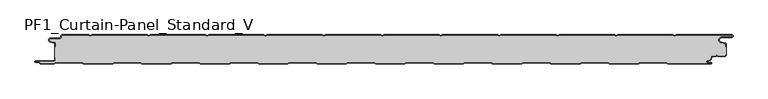
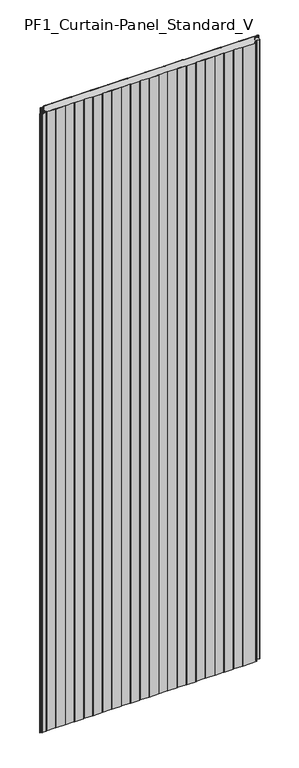
"""IFC4 building model written with IfcOpenShell, lengths in millimetres: plate geometry, PF1_Curtain-Panel_Standard_V."""

import ifcopenshell
import ifcopenshell.guid

model = None  # the IFC model being written
_history = None  # IfcOwnerHistory: only IFC2X3 demands one
_inside = {}  # id of a spatial element -> (the spatial element, [elements in it])
_under = {}  # id of a project, library or spatial element -> (it, [spatial elements below it])
_declared = {}  # id of a project -> (the project, [libraries it declares])
_typed = {}  # id of a type object -> (the type object, [elements of that type])
_made_of = {}  # id of a material, layer set ... -> (it, [elements and type objects made of it])


def new_model(schema):
    """Start an empty IFC model of exactly this schema.

    Asked for "IFC4X3", IfcOpenShell would pick the latest addendum, in which some entities
    have other attributes; the version numbers below select the first issue.
    IFC2X3 requires an IfcOwnerHistory on every rooted entity: one is made here for all.
    """
    global model, _history
    if schema == "IFC4X3":
        model = ifcopenshell.file(schema_version=(4, 3, 0, 0))
    else:
        model = ifcopenshell.file(schema=schema)
    _inside.clear()
    _under.clear()
    _declared.clear()
    _typed.clear()
    _made_of.clear()
    _history = None
    if model.schema == "IFC2X3":
        org = make("IfcOrganization", Name="unknown")
        user = make(
            "IfcPersonAndOrganization",
            ThePerson=make("IfcPerson", FamilyName="unknown"),
            TheOrganization=org,
        )
        app = make(
            "IfcApplication",
            ApplicationDeveloper=org,
            Version="unknown",
            ApplicationFullName="unknown",
            ApplicationIdentifier="unknown",
        )
        _history = make(
            "IfcOwnerHistory",
            OwningUser=user,
            OwningApplication=app,
            ChangeAction="ADDED",
            CreationDate=0,
        )
    return model


def make(cls, **values):
    """One entity of the class cls with the attributes given. An attribute that is None is left unset."""
    return model.create_entity(
        cls, **{name: value for name, value in values.items() if value is not None}
    )


def rooted(cls, **values):
    """An entity with a GlobalId (a new one), such as an element, a storey or a relation."""
    return make(cls, GlobalId=ifcopenshell.guid.new(), OwnerHistory=_history, **values)


def si_unit(unit_type, name, prefix=None):
    """IfcSIUnit, for example si_unit("LENGTHUNIT", "METRE", prefix="MILLI")."""
    return make("IfcSIUnit", UnitType=unit_type, Prefix=prefix, Name=name)


def assignment(units):
    """IfcUnitAssignment: the units of a project."""
    return None if units is None else make("IfcUnitAssignment", Units=units)


def point(xyz):
    """IfcCartesianPoint."""
    return None if xyz is None else make("IfcCartesianPoint", Coordinates=xyz)


def direction(xyz):
    """IfcDirection."""
    return None if xyz is None else make("IfcDirection", DirectionRatios=xyz)


def frame(location, z_axis=None, x_axis=None):
    """IfcAxis2Placement3D, a coordinate frame: its origin and axes. An axis left out is left unset."""
    return make(
        "IfcAxis2Placement3D",
        Location=point(location),
        Axis=direction(z_axis),
        RefDirection=direction(x_axis),
    )


def frame_2d(location, x_axis=None):
    """IfcAxis2Placement2D, a coordinate frame in the plane: its origin and x axis."""
    return make(
        "IfcAxis2Placement2D", Location=point(location), RefDirection=direction(x_axis)
    )


def origin():
    """The frame at (0, 0, 0) with its axes left unset."""
    return frame((0.0, 0.0, 0.0))


def origin_with_axes():
    """The frame at (0, 0, 0) with the z axis (0, 0, 1) and the x axis (1, 0, 0) written out."""
    return frame((0.0, 0.0, 0.0), z_axis=(0.0, 0.0, 1.0), x_axis=(1.0, 0.0, 0.0))


def place(relative_to, where):
    """IfcLocalPlacement: puts the frame where relative to a parent placement (None: the world)."""
    return make(
        "IfcLocalPlacement", PlacementRelTo=relative_to, RelativePlacement=where
    )


def context(
    kind, dimensions, precision=None, world=None, true_north=None, identifier=None
):
    """IfcGeometricRepresentationContext, for example the 3D "Model" context."""
    return make(
        "IfcGeometricRepresentationContext",
        ContextIdentifier=identifier,
        ContextType=kind,
        CoordinateSpaceDimension=dimensions,
        Precision=precision,
        WorldCoordinateSystem=world,
        TrueNorth=true_north,
    )


def project(units=None, contexts=None):
    """IfcProject with its units and contexts."""
    return rooted(
        "IfcProject",
        Name="project",
        RepresentationContexts=contexts,
        UnitsInContext=assignment(units),
    )


def spatial(cls, under=None, at=None, **own):
    """A site, building, storey or space (cls), placed at a placement, below another one or the project."""
    s = rooted(cls, ObjectPlacement=at, **own)
    if under is not None:
        _under.setdefault(under.id(), (under, []))[1].append(s)
    return s


def polyline(points):
    """IfcPolyline through the points."""
    return make("IfcPolyline", Points=[point(p) for p in points])


def circle_curve(where, radius):
    """IfcCircle in the frame where."""
    return make("IfcCircle", Position=where, Radius=radius)


def trimmed(basis, trim1, trim2, sense, master):
    """IfcTrimmedCurve: the piece of a basis curve between two trims."""
    return make(
        "IfcTrimmedCurve",
        BasisCurve=basis,
        Trim1=trim1,
        Trim2=trim2,
        SenseAgreement=sense,
        MasterRepresentation=master,
    )


def segment(curve, same_sense, transition):
    """IfcCompositeCurveSegment."""
    return make(
        "IfcCompositeCurveSegment",
        Transition=transition,
        SameSense=same_sense,
        ParentCurve=curve,
    )


def composite_curve(segments, self_intersect=None):
    """IfcCompositeCurve: segments joined end to end."""
    return make("IfcCompositeCurve", Segments=segments, SelfIntersect=self_intersect)


def outline(outer, holes=None, kind="AREA"):
    """IfcArbitraryClosedProfileDef: a profile drawn as a closed curve; with holes, ...WithVoids."""
    if holes is None:
        return make("IfcArbitraryClosedProfileDef", ProfileType=kind, OuterCurve=outer)
    return make(
        "IfcArbitraryProfileDefWithVoids",
        ProfileType=kind,
        OuterCurve=outer,
        InnerCurves=holes,
    )


def extrude(swept, where, along, depth):
    """IfcExtrudedAreaSolid: the profile swept, set in the frame where, extruded along a direction by depth."""
    return make(
        "IfcExtrudedAreaSolid",
        SweptArea=swept,
        Position=where,
        ExtrudedDirection=direction(along),
        Depth=depth,
    )


def shape(context_of_items, identifier, shape_type, items):
    """IfcShapeRepresentation: the items that make up one representation, for example the "Body"."""
    return make(
        "IfcShapeRepresentation",
        ContextOfItems=context_of_items,
        RepresentationIdentifier=identifier,
        RepresentationType=shape_type,
        Items=items,
    )


def source(mapping_origin, context_of_items, identifier, shape_type, items):
    """IfcRepresentationMap: a shape defined once, which mapped items show again and again."""
    return make(
        "IfcRepresentationMap",
        MappingOrigin=mapping_origin,
        MappedRepresentation=shape(context_of_items, identifier, shape_type, items),
    )


def transform(
    local_origin,
    x_axis=None,
    y_axis=None,
    z_axis=None,
    scale=None,
    scale2=None,
    scale3=None,
    uniform=True,
):
    """IfcCartesianTransformationOperator3D, or its non-uniform kind. x_axis, y_axis, z_axis: its Axis1, 2, 3."""
    if uniform:
        return make(
            "IfcCartesianTransformationOperator3D",
            Axis1=direction(x_axis),
            Axis2=direction(y_axis),
            LocalOrigin=point(local_origin),
            Scale=scale,
            Axis3=direction(z_axis),
        )
    return make(
        "IfcCartesianTransformationOperator3DnonUniform",
        Axis1=direction(x_axis),
        Axis2=direction(y_axis),
        LocalOrigin=point(local_origin),
        Scale=scale,
        Axis3=direction(z_axis),
        Scale2=scale2,
        Scale3=scale3,
    )


def mapped(mapping_source, mapping_target):
    """IfcMappedItem: shows the shape of a source again, moved by a transform."""
    return make(
        "IfcMappedItem", MappingSource=mapping_source, MappingTarget=mapping_target
    )


def made_of(thing, what):
    """Note that an element or type object is made of a material, layer set ...; save() writes the relation."""
    if what is not None:
        _made_of.setdefault(what.id(), (what, []))[1].append(thing)
    return thing


def element(
    cls,
    number,
    at=None,
    inside=None,
    cuts=None,
    type_object=None,
    material=None,
    context=None,
    identifier="Body",
    shape_type=None,
    held_by="IfcProductDefinitionShape",
    body=None,
    shapes=None,
    **own,
):
    """One element of the class cls, such as IfcWall. Its Tag is "e" and its number.

    at: its placement. inside: the storey or other place that contains it. cuts: it is an
    opening in that element (IfcRelVoidsElement). A single representation is given by context,
    identifier, shape_type and body (its items); several are given by shapes. held_by: the class
    of the entity that holds the representations. save() writes the other relations.
    """
    e = rooted(cls, Tag="e%d" % number, ObjectPlacement=at, **own)
    if body is not None:
        shapes = [shape(context, identifier, shape_type, body)]
    if shapes is not None:
        e.Representation = make(held_by, Representations=shapes)
    if inside is not None:
        _inside.setdefault(inside.id(), (inside, []))[1].append(e)
    if cuts is not None:
        rooted(
            "IfcRelVoidsElement", RelatingBuildingElement=cuts, RelatedOpeningElement=e
        )
    if type_object is not None:
        _typed.setdefault(type_object.id(), (type_object, []))[1].append(e)
    return made_of(e, material)


def aggregate(whole, parts):
    """IfcRelAggregates: a whole, such as a stair, and the parts it consists of."""
    return rooted("IfcRelAggregates", RelatingObject=whole, RelatedObjects=parts)


def save(model, path):
    """Write the relations noted so far, then the file.

    IfcRelAggregates (storeys below a building ...), IfcRelContainedInSpatialStructure (elements
    in a storey), IfcRelDefinesByType, IfcRelAssociatesMaterial and IfcRelDeclares: one each for
    every whole, place, type object, material and project.
    """
    for whole, parts in _under.values():
        aggregate(whole, parts)
    for where, things in _inside.values():
        rooted(
            "IfcRelContainedInSpatialStructure",
            RelatedElements=things,
            RelatingStructure=where,
        )
    for kind, things in _typed.values():
        rooted("IfcRelDefinesByType", RelatedObjects=things, RelatingType=kind)
    for what, things in _made_of.values():
        rooted("IfcRelAssociatesMaterial", RelatedObjects=things, RelatingMaterial=what)
    for by, libraries in _declared.values():
        rooted("IfcRelDeclares", RelatingContext=by, RelatedDefinitions=libraries)
    model.write(path)


def pf1_curtain_panel_standard_v_0386d7c6(model_context):
    return source(origin(), model_context, "Body", "SweptSolid", [
        extrude(outline(composite_curve([segment(trimmed(circle_curve(frame_2d((-577.0, -15.878557)), 2.0), [point((-575.0, -15.878557))], [point((-576.5500978, -13.9298169))], True, "CARTESIAN"), True, "CONTINUOUS"), segment(polyline([(-576.5500978, -13.9298169), (-582.7098239, -12.507732)]), True, "CONTINUOUS"), segment(trimmed(circle_curve(frame_2d((-581.9, -9.0)), 3.6), [point((-582.7098239, -12.507732))], [point((-581.9, -5.4))], False, "CARTESIAN"), True, "CONTINUOUS"), segment(polyline([(-581.9, -5.4), (-566.4, -5.4)]), True, "CONTINUOUS"), segment(trimmed(circle_curve(frame_2d((-566.4, -3.4)), 2.0), [point((-566.4, -5.4))], [point((-564.4, -3.4))], True, "CARTESIAN"), True, "CONTINUOUS"), segment(polyline([(-564.4, -3.4), (-564.4, -2.0)]), True, "CONTINUOUS"), segment(trimmed(circle_curve(frame_2d((-562.4, -2.0)), 2.0), [point((-564.4, -2.0))], [point((-562.4, 0.0))], False, "CARTESIAN"), True, "CONTINUOUS"), segment(polyline([(-562.4, 0.0), (-517.0999995, 0.0), (-514.4, -1.5588455), (-511.7000005, 0.0), (-417.0999995, 0.0), (-414.4, -1.5588455), (-411.7000005, 0.0), (-317.0999995, 0.0), (-314.4, -1.5588455), (-311.7000005, 0.0), (-217.0999995, 0.0), (-214.4, -1.5588455), (-211.7000005, 0.0), (-117.0999995, 0.0), (-114.4, -1.5588455), (-111.7000005, 0.0), (-17.0999995, 0.0), (-14.4, -1.5588455), (-11.7000005, 0.0), (82.9000005, 0.0), (85.6, -1.5588455), (88.2999995, 0.0), (182.9000005, 0.0), (185.6, -1.5588455), (188.2999995, 0.0), (282.9000005, 0.0), (285.6, -1.5588455), (288.2999995, 0.0), (382.9000005, 0.0), (385.6, -1.5588455), (388.2999995, 0.0), (482.9000005, 0.0), (485.6, -1.5588455), (488.2999995, 0.0), (583.268846, 0.0)]), True, "CONTINUOUS"), segment(trimmed(circle_curve(frame_2d((583.268846, -2.5)), 2.5), [point((583.268846, 0.0))], [point((583.268846, -5.0))], False, "CARTESIAN"), True, "CONTINUOUS"), segment(polyline([(583.268846, -5.0), (566.268846, -5.0)]), True, "CONTINUOUS"), segment(trimmed(circle_curve(frame_2d((566.268846, -9.0)), 4.0), [point((566.268846, -5.0))], [point((565.574253, -12.939231))], True, "CARTESIAN"), True, "CONTINUOUS"), segment(polyline([(565.574253, -12.939231), (572.0203315, -14.0758491)]), True, "CONTINUOUS"), segment(trimmed(circle_curve(frame_2d((571.568846, -16.6363492)), 2.6), [point((572.0203315, -14.0758491))], [point((574.168846, -16.6363492))], False, "CARTESIAN"), True, "CONTINUOUS"), segment(polyline([(574.168846, -16.6363492), (574.168846, -20.0), (573.368846, -20.0), (573.368846, -16.6363492)]), True, "CONTINUOUS"), segment(trimmed(circle_curve(frame_2d((571.568846, -16.6363492)), 1.8), [point((573.368846, -16.6363492))], [point((571.8814129, -14.8636953))], True, "CARTESIAN"), True, "CONTINUOUS"), segment(polyline([(571.8814129, -14.8636953), (565.4353344, -13.7270772)]), True, "CONTINUOUS"), segment(trimmed(circle_curve(frame_2d((566.268846, -9.0)), 4.8), [point((565.4353344, -13.7270772))], [point((566.268846, -4.2))], False, "CARTESIAN"), True, "CONTINUOUS"), segment(polyline([(566.268846, -4.2), (583.268846, -4.2)]), True, "CONTINUOUS"), segment(trimmed(circle_curve(frame_2d((583.268846, -2.5)), 1.7), [point((583.268846, -4.2))], [point((583.268846, -0.8))], True, "CARTESIAN"), True, "CONTINUOUS"), segment(polyline([(583.268846, -0.8), (488.5143588, -0.8), (485.6, -2.482606), (482.6856412, -0.8), (388.5143588, -0.8), (385.6, -2.482606), (382.6856412, -0.8), (288.5143588, -0.8), (285.6, -2.482606), (282.6856412, -0.8), (188.5143588, -0.8), (185.6, -2.482606), (182.6856412, -0.8), (88.5143588, -0.8), (85.6, -2.482606), (82.6856412, -0.8), (-11.4856412, -0.8), (-14.4, -2.482606), (-17.3143588, -0.8), (-111.4856412, -0.8), (-114.4, -2.482606), (-117.3143588, -0.8), (-211.4856412, -0.8), (-214.4, -2.482606), (-217.3143588, -0.8), (-311.4856412, -0.8), (-314.4, -2.482606), (-317.3143588, -0.8), (-411.4856412, -0.8), (-414.4, -2.482606), (-417.3143588, -0.8), (-511.4856412, -0.8), (-514.4, -2.482606), (-517.3143588, -0.8), (-562.4, -0.8)]), True, "CONTINUOUS"), segment(trimmed(circle_curve(frame_2d((-562.4, -2.0)), 1.2), [point((-562.4, -0.8))], [point((-563.6, -2.0))], True, "CARTESIAN"), True, "CONTINUOUS"), segment(polyline([(-563.6, -2.0), (-563.6, -3.4)]), True, "CONTINUOUS"), segment(trimmed(circle_curve(frame_2d((-566.4, -3.4)), 2.8), [point((-563.6, -3.4))], [point((-566.4, -6.2))], False, "CARTESIAN"), True, "CONTINUOUS"), segment(polyline([(-566.4, -6.2), (-581.9, -6.2)]), True, "CONTINUOUS"), segment(trimmed(circle_curve(frame_2d((-581.9, -9.0)), 2.8), [point((-581.9, -6.2))], [point((-582.529863, -11.7282362))], True, "CARTESIAN"), True, "CONTINUOUS"), segment(polyline([(-582.529863, -11.7282362), (-576.370137, -13.150321)]), True, "CONTINUOUS"), segment(trimmed(circle_curve(frame_2d((-577.0, -15.878557)), 2.8), [point((-576.370137, -13.150321))], [point((-574.2, -15.878557))], False, "CARTESIAN"), True, "CONTINUOUS"), segment(polyline([(-574.2, -15.878557), (-574.2, -20.0), (-575.0, -20.0), (-575.0, -15.878557)]), True, "CONTINUOUS")], self_intersect=False)), origin_with_axes(), (0.0, 0.0, 1.0), 3500.0),
        extrude(outline(composite_curve([segment(polyline([(-574.2, -40.0), (-575.0, -40.0), (-575.0, -20.0), (-574.2, -20.0), (-574.2, -15.878557)]), True, "CONTINUOUS"), segment(trimmed(circle_curve(frame_2d((-577.0, -15.878557)), 2.8), [point((-574.2, -15.878557))], [point((-576.370137, -13.1503208))], True, "CARTESIAN"), True, "CONTINUOUS"), segment(polyline([(-576.370137, -13.1503208), (-582.529863, -11.728236)]), True, "CONTINUOUS"), segment(trimmed(circle_curve(frame_2d((-581.9, -9.0)), 2.8), [point((-582.529863, -11.728236))], [point((-581.9, -6.2))], False, "CARTESIAN"), True, "CONTINUOUS"), segment(polyline([(-581.9, -6.2), (-566.4, -6.2)]), True, "CONTINUOUS"), segment(trimmed(circle_curve(frame_2d((-566.4, -3.4)), 2.8), [point((-566.4, -6.2))], [point((-563.6, -3.4))], True, "CARTESIAN"), True, "CONTINUOUS"), segment(polyline([(-563.6, -3.4), (-563.6, -2.0)]), True, "CONTINUOUS"), segment(trimmed(circle_curve(frame_2d((-562.4, -2.0)), 1.2), [point((-563.6, -2.0))], [point((-562.4, -0.8))], False, "CARTESIAN"), True, "CONTINUOUS"), segment(polyline([(-562.4, -0.8), (-517.3143588, -0.8), (-514.4, -2.482606), (-511.4856412, -0.8), (-417.3143588, -0.8), (-414.4, -2.482606), (-411.4856412, -0.8), (-317.3143588, -0.8), (-314.4, -2.482606), (-311.4856412, -0.8), (-217.3143588, -0.8), (-214.4, -2.482606), (-211.4856412, -0.8), (-117.3143588, -0.8), (-114.4, -2.482606), (-111.4856412, -0.8), (-17.3143588, -0.8), (-14.4, -2.482606), (-11.4856412, -0.8), (82.6856412, -0.8), (85.6, -2.482606), (88.5143588, -0.8), (182.6856412, -0.8), (185.6, -2.482606), (188.5143588, -0.8), (282.6856412, -0.8), (285.6, -2.482606), (288.5143588, -0.8), (382.6856412, -0.8), (385.6, -2.482606), (388.5143588, -0.8), (482.6856412, -0.8), (485.6, -2.482606), (488.5143588, -0.8), (583.268846, -0.8)]), True, "CONTINUOUS"), segment(trimmed(circle_curve(frame_2d((583.268846, -2.5)), 1.7), [point((583.268846, -0.8))], [point((583.268846, -4.2))], False, "CARTESIAN"), True, "CONTINUOUS"), segment(polyline([(583.268846, -4.2), (566.268846, -4.2)]), True, "CONTINUOUS"), segment(trimmed(circle_curve(frame_2d((566.268846, -9.0)), 4.8), [point((566.268846, -4.2))], [point((565.4353344, -13.7270771))], True, "CARTESIAN"), True, "CONTINUOUS"), segment(polyline([(565.4353344, -13.7270771), (571.8814129, -14.8636953)]), True, "CONTINUOUS"), segment(trimmed(circle_curve(frame_2d((571.568846, -16.6363492)), 1.8), [point((571.8814129, -14.8636953))], [point((573.368846, -16.6363492))], False, "CARTESIAN"), True, "CONTINUOUS"), segment(polyline([(573.368846, -16.6363492), (573.368846, -20.0), (574.168846, -20.0), (574.168846, -33.0), (573.368846, -33.0), (573.368846, -34.4)]), True, "CONTINUOUS"), segment(trimmed(circle_curve(frame_2d((571.568846, -34.4)), 1.8), [point((573.368846, -34.4))], [point((571.568846, -36.2))], False, "CARTESIAN"), True, "CONTINUOUS"), segment(polyline([(571.568846, -36.2), (560.0002158, -36.2), (558.168846, -34.3686285), (556.3374762, -36.2), (550.168846, -36.2)]), True, "CONTINUOUS"), segment(trimmed(circle_curve(frame_2d((550.168846, -38.0)), 1.8), [point((550.168846, -36.2))], [point((548.368846, -38.0))], True, "CARTESIAN"), True, "CONTINUOUS"), segment(polyline([(548.368846, -38.0), (548.368846, -38.8276204)]), True, "CONTINUOUS"), segment(trimmed(circle_curve(frame_2d((542.9964664, -38.8276204)), 5.3723796), [point((548.368846, -38.8276204))], [point((542.9964664, -44.2))], False, "CARTESIAN"), True, "CONTINUOUS"), segment(polyline([(542.9964664, -44.2), (542.168846, -44.2)]), True, "CONTINUOUS"), segment(trimmed(circle_curve(frame_2d((542.168846, -46.4)), 2.2), [point((542.168846, -44.2))], [point((542.168846, -48.6))], True, "CARTESIAN"), True, "CONTINUOUS"), segment(polyline([(542.168846, -48.6), (548.0579973, -48.6)]), True, "CONTINUOUS"), segment(trimmed(circle_curve(frame_2d((548.0579973, -48.9)), 0.3), [point((548.0579973, -48.6))], [point((548.0579973, -49.2))], False, "CARTESIAN"), True, "CONTINUOUS"), segment(polyline([(548.0579973, -49.2), (474.2152562, -49.2), (471.6171786, -47.7), (426.3884624, -47.7), (423.7903848, -49.2), (374.2152562, -49.2), (371.6171786, -47.7), (326.3884624, -47.7), (323.7903848, -49.2), (274.2152562, -49.2), (271.6171786, -47.7), (226.3884624, -47.7), (223.7903848, -49.2), (174.2152562, -49.2), (171.6171786, -47.7), (126.3884624, -47.7), (123.7903848, -49.2), (74.2152562, -49.2), (71.6171786, -47.7), (26.3884624, -47.7), (23.7903848, -49.2), (-25.7847438, -49.2), (-28.3828214, -47.7), (-73.6115376, -47.7), (-76.2096152, -49.2), (-125.7847438, -49.2), (-128.3828214, -47.7), (-173.6115376, -47.7), (-176.2096152, -49.2), (-225.7847438, -49.2), (-228.3828214, -47.7), (-273.6115376, -47.7), (-276.2096152, -49.2), (-325.7847438, -49.2), (-328.3828214, -47.7), (-373.6115376, -47.7), (-376.2096152, -49.2), (-425.7847438, -49.2), (-428.3828214, -47.7), (-473.6115376, -47.7), (-476.2096152, -49.2), (-525.7847438, -49.2), (-528.3828214, -47.7), (-573.6115376, -47.7), (-576.2096152, -49.2), (-599.4, -49.2)]), True, "CONTINUOUS"), segment(trimmed(circle_curve(frame_2d((-599.4, -48.4)), 0.8), [point((-599.4, -49.2))], [point((-600.2, -48.4))], False, "CARTESIAN"), True, "CONTINUOUS"), segment(trimmed(circle_curve(frame_2d((-601.9, -48.6133333)), 1.7133333), [point((-600.2, -48.4))], [point((-601.9, -46.9))], True, "CARTESIAN"), True, "CONTINUOUS"), segment(polyline([(-601.9, -46.9), (-607.8700312, -46.9)]), True, "CONTINUOUS"), segment(trimmed(circle_curve(frame_2d((-607.8700312, -46.6)), 0.3), [point((-607.8700312, -46.9))], [point((-607.8700312, -46.3))], False, "CARTESIAN"), True, "CONTINUOUS"), segment(polyline([(-607.8700312, -46.3), (-577.0, -46.3)]), True, "CONTINUOUS"), segment(trimmed(circle_curve(frame_2d((-577.0, -43.5)), 2.8), [point((-577.0, -46.3))], [point((-574.2, -43.5))], True, "CARTESIAN"), True, "CONTINUOUS"), segment(polyline([(-574.2, -43.5), (-574.2, -40.0)]), True, "CONTINUOUS")], self_intersect=False)), origin_with_axes(), (0.0, 0.0, 1.0), 3500.0),
        extrude(outline(composite_curve([segment(polyline([(-575.0, -40.0), (-574.2, -40.0), (-574.2, -43.5)]), True, "CONTINUOUS"), segment(trimmed(circle_curve(frame_2d((-577.0, -43.5)), 2.8), [point((-574.2, -43.5))], [point((-577.0, -46.3))], False, "CARTESIAN"), True, "CONTINUOUS"), segment(polyline([(-577.0, -46.3), (-607.8700312, -46.3)]), True, "CONTINUOUS"), segment(trimmed(circle_curve(frame_2d((-607.8700312, -46.6)), 0.3), [point((-607.8700312, -46.3))], [point((-607.8700312, -46.9))], True, "CARTESIAN"), True, "CONTINUOUS"), segment(polyline([(-607.8700312, -46.9), (-601.9, -46.9)]), True, "CONTINUOUS"), segment(trimmed(circle_curve(frame_2d((-601.9, -48.6133333)), 1.7133333), [point((-601.9, -46.9))], [point((-600.2, -48.4))], False, "CARTESIAN"), True, "CONTINUOUS"), segment(trimmed(circle_curve(frame_2d((-599.4, -48.4)), 0.8), [point((-600.2, -48.4))], [point((-599.4, -49.2))], True, "CARTESIAN"), True, "CONTINUOUS"), segment(polyline([(-599.4, -49.2), (-576.2096152, -49.2), (-573.6115376, -47.7), (-528.3828214, -47.7), (-525.7847438, -49.2), (-476.2096152, -49.2), (-473.6115376, -47.7), (-428.3828214, -47.7), (-425.7847438, -49.2), (-376.2096152, -49.2), (-373.6115376, -47.7), (-328.3828214, -47.7), (-325.7847438, -49.2), (-276.2096152, -49.2), (-273.6115376, -47.7), (-228.3828214, -47.7), (-225.7847438, -49.2), (-176.2096152, -49.2), (-173.6115376, -47.7), (-128.3828214, -47.7), (-125.7847438, -49.2), (-76.2096152, -49.2), (-73.6115376, -47.7), (-28.3828214, -47.7), (-25.7847438, -49.2), (23.7903848, -49.2), (26.3884624, -47.7), (71.6171786, -47.7), (74.2152562, -49.2), (123.7903848, -49.2), (126.3884624, -47.7), (171.6171786, -47.7), (174.2152562, -49.2), (223.7903848, -49.2), (226.3884624, -47.7), (271.6171786, -47.7), (274.2152562, -49.2), (323.7903848, -49.2), (326.3884624, -47.7), (371.6171786, -47.7), (374.2152562, -49.2), (423.7903848, -49.2), (426.3884624, -47.7), (471.6171786, -47.7), (474.2152562, -49.2), (548.0579973, -49.2)]), True, "CONTINUOUS"), segment(trimmed(circle_curve(frame_2d((548.0579973, -48.9)), 0.3), [point((548.0579973, -49.2))], [point((548.0579973, -48.6))], True, "CARTESIAN"), True, "CONTINUOUS"), segment(polyline([(548.0579973, -48.6), (542.168846, -48.6)]), True, "CONTINUOUS"), segment(trimmed(circle_curve(frame_2d((542.168846, -46.4)), 2.2), [point((542.168846, -48.6))], [point((542.168846, -44.2))], False, "CARTESIAN"), True, "CONTINUOUS"), segment(polyline([(542.168846, -44.2), (542.9964664, -44.2)]), True, "CONTINUOUS"), segment(trimmed(circle_curve(frame_2d((542.9964664, -38.8276204)), 5.3723796), [point((542.9964664, -44.2))], [point((548.368846, -38.8276204))], True, "CARTESIAN"), True, "CONTINUOUS"), segment(polyline([(548.368846, -38.8276204), (548.368846, -38.0)]), True, "CONTINUOUS"), segment(trimmed(circle_curve(frame_2d((550.168846, -38.0)), 1.8), [point((548.368846, -38.0))], [point((550.168846, -36.2))], False, "CARTESIAN"), True, "CONTINUOUS"), segment(polyline([(550.168846, -36.2), (556.3374762, -36.2), (558.168846, -34.3686285), (560.0002158, -36.2), (571.568846, -36.2)]), True, "CONTINUOUS"), segment(trimmed(circle_curve(frame_2d((571.568846, -34.4)), 1.8), [point((571.568846, -36.2))], [point((573.368846, -34.4))], True, "CARTESIAN"), True, "CONTINUOUS"), segment(polyline([(573.368846, -34.4), (573.368846, -33.0), (574.168846, -33.0), (574.168846, -34.4)]), True, "CONTINUOUS"), segment(trimmed(circle_curve(frame_2d((571.568846, -34.4)), 2.6), [point((574.168846, -34.4))], [point((571.568846, -37.0))], False, "CARTESIAN"), True, "CONTINUOUS"), segment(polyline([(571.568846, -37.0), (559.6688448, -37.0), (558.168846, -35.4999999), (556.6688472, -37.0), (550.168846, -37.0)]), True, "CONTINUOUS"), segment(trimmed(circle_curve(frame_2d((550.168846, -38.0)), 1.0), [point((550.168846, -37.0))], [point((549.168846, -38.0))], True, "CARTESIAN"), True, "CONTINUOUS"), segment(polyline([(549.168846, -38.0), (549.168846, -38.8276204)]), True, "CONTINUOUS"), segment(trimmed(circle_curve(frame_2d((542.9964664, -38.8276204)), 6.1723796), [point((549.168846, -38.8276204))], [point((542.9964664, -45.0))], False, "CARTESIAN"), True, "CONTINUOUS"), segment(polyline([(542.9964664, -45.0), (542.168846, -45.0)]), True, "CONTINUOUS"), segment(trimmed(circle_curve(frame_2d((542.168846, -46.5)), 1.5), [point((542.168846, -45.0))], [point((542.168846, -48.0))], True, "CARTESIAN"), True, "CONTINUOUS"), segment(polyline([(542.168846, -48.0), (548.168846, -48.0)]), True, "CONTINUOUS"), segment(trimmed(circle_curve(frame_2d((548.168846, -49.0)), 1.0), [point((548.168846, -48.0))], [point((548.168846, -50.0))], False, "CARTESIAN"), True, "CONTINUOUS"), segment(polyline([(548.168846, -50.0), (474.0008969, -50.0), (471.4028193, -48.5), (426.6028217, -48.5), (424.0047441, -50.0), (374.0008969, -50.0), (371.4028193, -48.5), (326.6028217, -48.5), (324.0047441, -50.0), (274.0008969, -50.0), (271.4028193, -48.5), (226.6028217, -48.5), (224.0047441, -50.0), (174.0008969, -50.0), (171.4028193, -48.5), (126.6028217, -48.5), (124.0047441, -50.0), (74.0008969, -50.0), (71.4028193, -48.5), (26.6028217, -48.5), (24.0047441, -50.0), (-25.9991031, -50.0), (-28.5971807, -48.5), (-73.3971783, -48.5), (-75.9952559, -50.0), (-125.9991031, -50.0), (-128.5971807, -48.5), (-173.3971783, -48.5), (-175.9952559, -50.0), (-225.9991031, -50.0), (-228.5971807, -48.5), (-273.3971783, -48.5), (-275.9952559, -50.0), (-325.9991031, -50.0), (-328.5971807, -48.5), (-373.3971783, -48.5), (-375.9952559, -50.0), (-425.9991031, -50.0), (-428.5971807, -48.5), (-473.3971783, -48.5), (-475.9952559, -50.0), (-525.9991031, -50.0), (-528.5971807, -48.5), (-573.3971783, -48.5), (-575.9952559, -50.0), (-599.4, -50.0)]), True, "CONTINUOUS"), segment(trimmed(circle_curve(frame_2d((-599.4, -48.4)), 1.6), [point((-599.4, -50.0))], [point((-601.0, -48.4))], False, "CARTESIAN"), True, "CONTINUOUS"), segment(trimmed(circle_curve(frame_2d((-601.9, -48.4)), 0.9), [point((-601.0, -48.4))], [point((-601.9, -47.5))], True, "CARTESIAN"), True, "CONTINUOUS"), segment(polyline([(-601.9, -47.5), (-608.0, -47.5)]), True, "CONTINUOUS"), segment(trimmed(circle_curve(frame_2d((-608.0, -46.5)), 1.0), [point((-608.0, -47.5))], [point((-608.0, -45.5))], False, "CARTESIAN"), True, "CONTINUOUS"), segment(polyline([(-608.0, -45.5), (-577.0, -45.5)]), True, "CONTINUOUS"), segment(trimmed(circle_curve(frame_2d((-577.0, -43.5)), 2.0), [point((-577.0, -45.5))], [point((-575.0, -43.5))], True, "CARTESIAN"), True, "CONTINUOUS"), segment(polyline([(-575.0, -43.5), (-575.0, -40.0)]), True, "CONTINUOUS")], self_intersect=False)), origin_with_axes(), (0.0, 0.0, 1.0), 3500.0),
    ])


if __name__ == "__main__":
    model = new_model("IFC4")
    model_context = context("Model", 3, world=origin())
    ifc_project = project(units=[si_unit("LENGTHUNIT", "METRE", prefix="MILLI")], contexts=[model_context])
    site = spatial("IfcSite", under=ifc_project)
    building = spatial("IfcBuilding", under=site)
    placement = place(None, origin())
    pf1_curtain_panel_standard_v_shape = pf1_curtain_panel_standard_v_0386d7c6(model_context)
    element("IfcPlate", 1, ObjectType="PF1_Curtain-Panel_Standard_V", at=placement, inside=building, context=model_context, shape_type="MappedRepresentation", body=[
        mapped(pf1_curtain_panel_standard_v_shape, transform((0.0, 0.0, 0.0), x_axis=(1.0, 0.0, 0.0), y_axis=(0.0, 1.0, 0.0), z_axis=(0.0, 0.0, 1.0))),
    ])
    save(model, "model.ifc")
